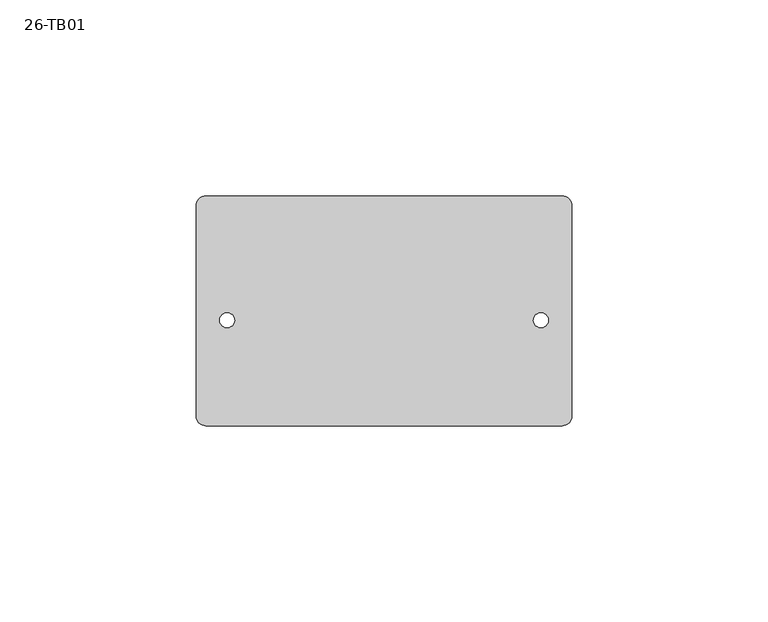
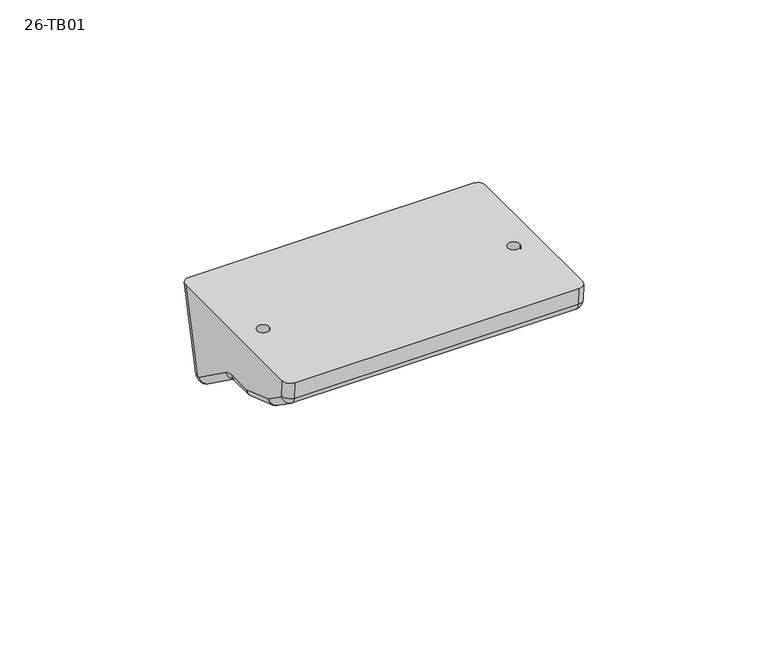
"""IFC4 building model written with IfcOpenShell, lengths in millimetres: proxy geometry, 26-TB01."""

from ifc_helpers import new_model, si_unit, point, frame, origin, place, context, project, spatial, polyline, circle_curve, ellipse_curve, trimmed, source, transform, mapped, element, save
from ifc_brep_helpers import plane_surface, cylinder_surface, revolved_surface, advanced_brep


def proxy_26_tb01_5230ef04(model_context):
    return source(origin(), model_context, "Body", "AdvancedBrep", [
        advanced_brep(
        [(-1.1749418, -22.4476746, 14.097), (-1.1749418, -22.4476746, 31.75), (-4.9849418, -22.4476746, 31.75), (-4.9849418, -22.4476746, 14.097), (78.8350582, -22.4476746, 14.097), (78.8350582, -22.4476746, 31.75), (75.0250582, -22.4476746, 31.75), (75.0250582, -22.4476746, 14.097), (4.2225582, -28.0369595, 14.2752497), (4.2225582, -26.9880969, 14.097), (4.2225582, -18.7790853, 14.097), (4.2225582, -16.9146376, 13.4919144), (4.2225582, -8.6335231, 7.484047), (69.6275582, -26.9880969, 14.097), (69.6275582, -28.0369595, 14.2752497), (69.6275582, -8.6335231, 7.484047), (69.6275582, -16.9146376, 13.4919144), (69.6275582, -18.7790853, 14.097), (82.3275582, -26.9880969, 14.097), (82.3275582, -28.0369595, 14.2752497), (82.3275582, -18.7790853, 14.097), (82.3275582, -16.9146376, 13.4919144), (84.8675582, -46.8249661, 31.75), (82.3275582, -49.3716746, 31.75), (82.3275582, -48.9712229, 26.24379), (84.8675582, -46.4379137, 26.4280306), (82.3275582, -47.6607517, 23.898188), (84.8675582, -46.1758195, 25.9589102), (82.3275582, -40.6008421, 18.8109001), (84.8675582, -39.1159099, 20.8716224), (82.3275582, -39.7935394, 18.3900527), (84.8675582, -38.9544493, 20.7874529), (84.8675582, -27.1978694, 16.6726499), (84.8675582, -26.9880969, 16.637), (84.8675582, -18.7790853, 16.637), (84.8675582, -15.4230795, 15.5478459), (82.3275582, -2.1612656, 2.7884876), (84.8675582, -0.6697075, 4.8444191), (82.3275582, 2.7905117, 4.6174429), (84.8675582, 0.320648, 5.2102102), (82.3275582, 9.3023254, 31.75), (84.8675582, 6.6901975, 31.75), (-11.0174418, 6.6901975, 31.75), (-8.4774418, 9.3023254, 31.75), (-8.4774418, 2.7905117, 4.6174429), (-11.0174418, 0.320648, 5.2102102), (-8.4774418, -2.1612656, 2.7884876), (-11.0174418, -0.6697075, 4.8444191), (-8.4774418, -16.9146376, 13.4919144), (-11.0174418, -15.4230795, 15.5478459), (-8.4774418, -18.7790853, 14.097), (-11.0174418, -18.7790853, 16.637), (-8.4774418, -26.9880969, 14.097), (-11.0174418, -26.9880969, 16.637), (-8.4774418, -28.0369595, 14.2752497), (-11.0174418, -27.1978694, 16.6726499), (-8.4774418, -39.7935394, 18.3900527), (-11.0174418, -38.9544493, 20.7874529), (-8.4774418, -40.6008421, 18.8109001), (-11.0174418, -39.1159099, 20.8716224), (-8.4774418, -47.6607517, 23.898188), (-11.0174418, -46.1758195, 25.9589102), (-8.4774418, -48.9712229, 26.24379), (-11.0174418, -46.4379137, 26.4280306), (-8.4774418, -49.3716746, 31.75), (-11.0174418, -46.8249661, 31.75)],
        [
            (0, 1),
            (1, 2, circle_curve(frame((-3.0799418, -22.4476746, 31.75), z_axis=(0.0, 0.0, 1.0), x_axis=(1.0, 0.0, 0.0)), 1.905)),
            (2, 3),
            (3, 0, circle_curve(frame((-3.0799418, -22.4476746, 14.097), z_axis=(0.0, 0.0, -1.0), x_axis=(1.0, 0.0, 0.0)), 1.905)),
            (4, 5),
            (5, 6, circle_curve(frame((76.9300582, -22.4476746, 31.75), z_axis=(0.0, 0.0, 1.0), x_axis=(1.0, 0.0, 0.0)), 1.905)),
            (6, 7),
            (7, 4, circle_curve(frame((76.9300582, -22.4476746, 14.097), z_axis=(0.0, 0.0, -1.0), x_axis=(1.0, 0.0, 0.0)), 1.905)),
            (8, 9, circle_curve(frame((4.2225582, -26.9880969, 17.272), z_axis=(1.0, 0.0, 0.0), x_axis=(0.0, -0.16754349231465676, -0.9858646855339775)), 3.175)),
            (9, 10),
            (10, 11, circle_curve(frame((4.2225582, -18.7790853, 10.922), z_axis=(-1.0, 0.0, 0.0), x_axis=(0.0, 0.3086892871781324, 0.9511629324050935)), 3.175)),
            (11, 12),
            (12, 8),
            (13, 14, circle_curve(frame((69.6275582, -26.9880969, 17.272), z_axis=(-1.0, 0.0, 0.0), x_axis=(0.0, -0.16754349231465676, -0.9858646855339775)), 3.175)),
            (14, 15),
            (15, 16),
            (16, 17, circle_curve(frame((69.6275582, -18.7790853, 10.922), z_axis=(1.0, 0.0, 0.0), x_axis=(0.0, 0.3086892871781324, 0.9511629324050935)), 3.175)),
            (17, 13),
            (13, 18),
            (18, 19, circle_curve(frame((82.3275582, -26.9880969, 17.272), z_axis=(-1.0, 0.0, 0.0), x_axis=(0.0, -0.16754349231465676, -0.9858646855339775)), 3.175)),
            (19, 14),
            (17, 20),
            (20, 18),
            (7, 4, circle_curve(frame((76.9300582, -22.4476746, 14.097), z_axis=(0.0, 0.0, 1.0), x_axis=(1.0, 0.0, 0.0)), 1.905)),
            (16, 21),
            (21, 20, circle_curve(frame((82.3275582, -18.7790853, 10.922), z_axis=(1.0, 0.0, 0.0), x_axis=(0.0, 0.3086892871781324, 0.9511629324050935)), 3.175)),
            (22, 23, ellipse_curve(frame((82.3275582, -46.8249661, 31.75), z_axis=(0.0, 0.0, -1.0), x_axis=(0.0, 1.0, 0.0)), 2.5467085, 2.54)),
            (23, 24),
            (24, 25, circle_curve(frame((82.3275582, -46.4379137, 26.4280306), z_axis=(0.0, -0.07253569577882332, 0.9973658169587938), x_axis=(0.70710678118655, -0.7052441324952214, -0.051290482363290084)), 2.54)),
            (25, 22),
            (26, 27, circle_curve(frame((82.3275582, -46.1758195, 25.9589102), z_axis=(0.0, -0.8113079813297743, 0.5846189865464572), x_axis=(0.0, -0.5846189865464572, -0.8113079813297743)), 2.54)),
            (27, 25, circle_curve(frame((84.8675582, -45.8045864, 26.4740908), z_axis=(-1.0, 0.0, 0.0), x_axis=(0.0, -0.5846189865464508, -0.8113079813297789)), 0.635)),
            (24, 26, circle_curve(frame((82.3275582, -45.8045864, 26.4740908), z_axis=(1.0, 0.0, 0.0), x_axis=(0.0, -0.5846189865464508, -0.8113079813297789)), 3.175)),
            (28, 29, circle_curve(frame((82.3275582, -39.1159099, 20.8716224), z_axis=(0.0, -0.8113079813297751, 0.584618986546456), x_axis=(0.7071067811865491, -0.4133880497974052, -0.5736813752290512)), 2.54)),
            (29, 27),
            (26, 28),
            (30, 31, circle_curve(frame((82.3275582, -38.9544493, 20.7874529), z_axis=(0.0, -0.9438583563660176, 0.33035042472810605), x_axis=(0.0, -0.33035042472810605, -0.9438583563660176)), 2.54)),
            (31, 29, circle_curve(frame((84.8675582, -38.7446768, 21.386803), z_axis=(-1.0, 0.0, 0.0), x_axis=(0.0, -0.33035042472810566, -0.9438583563660177)), 0.635)),
            (28, 30, circle_curve(frame((82.3275582, -38.7446768, 21.386803), z_axis=(1.0, 0.0, 0.0), x_axis=(0.0, -0.33035042472810566, -0.9438583563660177)), 3.175)),
            (19, 32, circle_curve(frame((82.3275582, -27.1978694, 16.6726499), z_axis=(0.0, -0.9438583563660177, 0.33035042472810583), x_axis=(0.7071067811865496, -0.23359302549309902, -0.6674086442659981)), 2.54)),
            (32, 31),
            (30, 19),
            (18, 33, circle_curve(frame((82.3275582, -26.9880969, 16.637), z_axis=(0.0, -1.0, 0.0), x_axis=(0.0, 0.0, -1.0)), 2.54)),
            (33, 32, circle_curve(frame((84.8675582, -26.9880969, 17.272), z_axis=(-1.0, 0.0, 0.0), x_axis=(0.0, 0.0, -1.0)), 0.635)),
            (20, 34, circle_curve(frame((82.3275582, -18.7790853, 16.637), z_axis=(0.0, -1.0, 0.0), x_axis=(0.7071067811865493, 0.0, -0.7071067811865456)), 2.54)),
            (34, 33),
            (21, 35, circle_curve(frame((82.3275582, -15.4230795, 15.5478459), z_axis=(0.0, -0.8094218479629124, 0.5872276151887817), x_axis=(0.0, 0.5872276151887817, 0.8094218479629124)), 2.54)),
            (35, 34, circle_curve(frame((84.8675582, -18.7790853, 10.922), z_axis=(1.0, 0.0, 0.0), x_axis=(0.0, 0.5872276151887807, 0.8094218479629132)), 5.715)),
            (36, 37, circle_curve(frame((82.3275582, -0.6697075, 4.8444191), z_axis=(0.0, -0.8094218479629134, 0.5872276151887806), x_axis=(0.7071067811865493, -0.4152326287999902, -0.5723476775351211)), 2.54)),
            (37, 35),
            (21, 36),
            (38, 39, circle_curve(frame((82.3275582, 0.320648, 5.2102102), z_axis=(0.0, -0.23337295247532389, -0.9723873019805176), x_axis=(0.0, 0.9723873019805176, -0.23337295247532389)), 2.54)),
            (39, 37, circle_curve(frame((84.8675582, -0.2968179, 5.358402), z_axis=(-1.0, 0.0, 0.0), x_axis=(0.0, 0.9723873019805175, -0.23337295247532416)), 0.635)),
            (36, 38, circle_curve(frame((82.3275582, -0.2968179, 5.358402), z_axis=(1.0, 0.0, 0.0), x_axis=(0.0, 0.9723873019805175, -0.23337295247532416)), 3.175)),
            (40, 41, ellipse_curve(frame((82.3275582, 6.6901975, 31.75), z_axis=(0.0, 0.0, -1.0), x_axis=(0.0, 1.0, 0.0)), 2.6121279, 2.54)),
            (41, 39),
            (38, 40),
            (41, 22),
            (42, 43, ellipse_curve(frame((-8.4774418, 6.6901975, 31.75), z_axis=(0.0, 0.0, -1.0), x_axis=(0.0, -1.0, 0.0)), 2.6121279, 2.54)),
            (43, 44),
            (44, 45, circle_curve(frame((-8.4774418, 0.320648, 5.2102102), z_axis=(0.0, 0.23337295247532427, 0.9723873019805175), x_axis=(-0.7071067811865481, 0.6875816551701143, -0.16501959724082746)), 2.54)),
            (45, 42),
            (46, 47, circle_curve(frame((-8.4774418, -0.6697075, 4.8444191), z_axis=(0.0, 0.8094218479629133, -0.5872276151887806), x_axis=(0.0, -0.5872276151887806, -0.8094218479629133)), 2.54)),
            (47, 45, circle_curve(frame((-11.0174418, -0.2968179, 5.358402), z_axis=(1.0, 0.0, 0.0), x_axis=(0.0, -0.5872276151887809, -0.809421847962913)), 0.635)),
            (44, 46, circle_curve(frame((-8.4774418, -0.2968179, 5.358402), z_axis=(-1.0, 0.0, 0.0), x_axis=(0.0, -0.5872276151887809, -0.809421847962913)), 3.175)),
            (48, 49, circle_curve(frame((-8.4774418, -15.4230795, 15.5478459), z_axis=(0.0, 0.8094218479629132, -0.5872276151887805), x_axis=(-0.7071067811865475, -0.4152326287999913, -0.5723476775351227)), 2.54)),
            (49, 47),
            (46, 48),
            (50, 51, circle_curve(frame((-8.4774418, -18.7790853, 16.637), z_axis=(0.0, 1.0, 0.0), x_axis=(0.0, 0.0, 1.0)), 2.54)),
            (51, 49, circle_curve(frame((-11.0174418, -18.7790853, 10.922), z_axis=(-1.0, 0.0, 0.0), x_axis=(0.0, 0.0, 1.0)), 5.715)),
            (48, 50, circle_curve(frame((-8.4774418, -18.7790853, 10.922), z_axis=(1.0, 0.0, 0.0), x_axis=(0.0, 0.0, 1.0)), 3.175)),
            (52, 53, circle_curve(frame((-8.4774418, -26.9880969, 16.637), z_axis=(0.0, 1.0, 0.0), x_axis=(-0.7071067811865476, 0.0, -0.7071067811865476)), 2.54)),
            (53, 51),
            (50, 52),
            (54, 55, circle_curve(frame((-8.4774418, -27.1978694, 16.6726499), z_axis=(0.0, 0.9438583563660173, -0.3303504247281064), x_axis=(0.0, -0.3303504247281064, -0.9438583563660173)), 2.54)),
            (55, 53, circle_curve(frame((-11.0174418, -26.9880969, 17.272), z_axis=(1.0, 0.0, 0.0), x_axis=(0.0, -0.33035042472810533, -0.9438583563660177)), 0.635)),
            (52, 54, circle_curve(frame((-8.4774418, -26.9880969, 17.272), z_axis=(-1.0, 0.0, 0.0), x_axis=(0.0, -0.33035042472810533, -0.9438583563660177)), 3.175)),
            (56, 57, circle_curve(frame((-8.4774418, -38.9544493, 20.7874529), z_axis=(0.0, 0.9438583563660177, -0.33035042472810566), x_axis=(-0.7071067811865472, -0.23359302549309946, -0.6674086442660001)), 2.54)),
            (57, 55),
            (54, 56),
            (58, 59, circle_curve(frame((-8.4774418, -39.1159099, 20.8716224), z_axis=(0.0, 0.8113079813297758, -0.5846189865464552), x_axis=(0.0, -0.5846189865464552, -0.8113079813297758)), 2.54)),
            (59, 57, circle_curve(frame((-11.0174418, -38.7446768, 21.386803), z_axis=(1.0, 0.0, 0.0), x_axis=(0.0, -0.5846189865464573, -0.8113079813297742)), 0.635)),
            (56, 58, circle_curve(frame((-8.4774418, -38.7446768, 21.386803), z_axis=(-1.0, 0.0, 0.0), x_axis=(0.0, -0.5846189865464573, -0.8113079813297742)), 3.175)),
            (60, 61, circle_curve(frame((-8.4774418, -46.1758195, 25.9589102), z_axis=(0.0, 0.8113079813297748, -0.5846189865464563), x_axis=(-0.7071067811865468, -0.4133880497974071, -0.5736813752290529)), 2.54)),
            (61, 59),
            (58, 60),
            (62, 63, circle_curve(frame((-8.4774418, -46.4379137, 26.4280306), z_axis=(0.0, 0.0725356957788229, -0.9973658169587938), x_axis=(0.0, -0.9973658169587938, -0.0725356957788229)), 2.54)),
            (63, 61, circle_curve(frame((-11.0174418, -45.8045864, 26.4740908), z_axis=(1.0, 0.0, 0.0), x_axis=(0.0, -0.9973658169587939, -0.07253569577882178)), 0.635)),
            (60, 62, circle_curve(frame((-8.4774418, -45.8045864, 26.4740908), z_axis=(-1.0, 0.0, 0.0), x_axis=(0.0, -0.9973658169587939, -0.07253569577882178)), 3.175)),
            (64, 65, ellipse_curve(frame((-8.4774418, -46.8249661, 31.75), z_axis=(0.0, 0.0, -1.0), x_axis=(0.0, -1.0, 0.0)), 2.5467085, 2.54)),
            (65, 63),
            (62, 64),
            (23, 64),
            (62, 24),
            (60, 26),
            (58, 28),
            (56, 30),
            (54, 8),
            (12, 15),
            (52, 9),
            (50, 10),
            (3, 0, circle_curve(frame((-3.0799418, -22.4476746, 14.097), z_axis=(0.0, 0.0, 1.0), x_axis=(1.0, 0.0, 0.0)), 1.905)),
            (48, 11),
            (46, 36),
            (44, 38),
            (40, 43),
            (42, 65),
            (1, 2, circle_curve(frame((-3.0799418, -22.4476746, 31.75), z_axis=(0.0, 0.0, -1.0), x_axis=(1.0, 0.0, 0.0)), 1.905)),
            (5, 6, circle_curve(frame((76.9300582, -22.4476746, 31.75), z_axis=(0.0, 0.0, -1.0), x_axis=(1.0, 0.0, 0.0)), 1.905)),
        ],
        [
            revolved_surface(polyline([(-1.1749417999999998, -22.4476746, 31.75), (-1.1749417999999998, -22.4476746, 14.097)]), (-3.0799418, -22.4476746, 19.05), (0.0, 0.0, 1.0)),
            revolved_surface(polyline([(78.8350582, -22.4476746, 31.75), (78.8350582, -22.4476746, 14.097)]), (76.9300582, -22.4476746, 19.05), (0.0, 0.0, 1.0)),
            plane_surface(frame((4.2225582, -18.0727731, 11.6883906), z_axis=(-1.0, 0.0, 0.0), x_axis=(0.0, 0.0, -1.0))),
            plane_surface(frame((69.6275582, -18.0727731, 11.6883906), z_axis=(1.0, 0.0, 0.0), x_axis=(0.0, 0.0, -1.0))),
            cylinder_surface(frame((-11.0174418, -26.9880969, 17.272), z_axis=(0.9999999999999999, 0.0, 0.0), x_axis=(0.0, -0.16754349231465676, -0.9858646855339775)), 3.175),
            plane_surface(frame((-11.0174418, -17.7486746, 14.097), z_axis=(0.0, 0.0, -1.0), x_axis=(-1.0, 0.0, 0.0))),
            revolved_surface(polyline([(82.3275582, -17.798996813209428, 13.941942310386173), (69.6275582, -17.798996813209428, 13.941942310386173)]), (-11.0174418, -18.7790853, 10.922), (1.0, 0.0, 0.0)),
            cylinder_surface(frame((82.3275582, -45.28154, 10.5278916), z_axis=(0.0, 0.07253569577882332, -0.9973658169587938), x_axis=(0.70710678118655, -0.7052441324952214, -0.051290482363290084)), 2.54),
            revolved_surface(trimmed(ellipse_curve(frame((82.3275582, -46.1758195, 25.9589102), z_axis=(0.0, 0.8113079813297774, -0.5846189865464528), x_axis=(0.0, -0.5846189865464528, -0.8113079813297774)), 2.54, 2.54), [point((84.8675582, -46.1758195, 25.9589102))], [point((82.3275582, -47.6607517, 23.898188))], True, "CARTESIAN"), (82.3275582, -45.8045864, 26.4740908), (-1.0, 0.0, 0.0)),
            cylinder_surface(frame((82.3275582, -18.0446168, 5.6878965), z_axis=(0.0, 0.8113079813297748, -0.5846189865464558), x_axis=(0.7071067811865491, -0.4133880497974052, -0.5736813752290512)), 2.54),
            revolved_surface(trimmed(ellipse_curve(frame((82.3275582, -38.9544493, 20.7874529), z_axis=(0.0, 0.9438583563660178, -0.3303504247281052), x_axis=(0.0, -0.3303504247281052, -0.9438583563660178)), 2.54, 2.54), [point((84.8675582, -38.9544493, 20.7874529))], [point((82.3275582, -39.7935394, 18.3900527))], True, "CARTESIAN"), (82.3275582, -38.7446768, 21.386803), (-1.0, 0.0, 0.0)),
            cylinder_surface(frame((82.3275582, -8.0854887, 9.9833167), z_axis=(0.0, 0.9438583563660177, -0.33035042472810583), x_axis=(0.7071067811865496, -0.23359302549309902, -0.6674086442659981)), 2.54),
            revolved_surface(trimmed(ellipse_curve(frame((82.3275582, -26.9880969, 16.637), z_axis=(0.0, 1.0, 0.0), x_axis=(0.0, 0.0, -1.0)), 2.54, 2.54), [point((84.8675582, -26.9880969, 16.637))], [point((82.3275582, -26.9880969, 14.097))], True, "CARTESIAN"), (82.3275582, -26.9880969, 17.272), (-1.0, 0.0, 0.0)),
            cylinder_surface(frame((82.3275582, -4.2231746, 16.637), z_axis=(0.0, 0.9999999999999998, 0.0), x_axis=(0.7071067811865493, 0.0, -0.7071067811865456)), 2.54),
            revolved_surface(trimmed(ellipse_curve(frame((82.3275582, -15.4230795, 15.5478459), z_axis=(0.0, 0.8094218479629129, -0.5872276151887811), x_axis=(0.0, 0.5872276151887811, 0.8094218479629129)), 2.54, 2.54), [point((84.8675582, -15.4230795, 15.5478459))], [point((82.3275582, -16.9146376, 13.4919144))], True, "CARTESIAN"), (82.3275582, -18.7790853, 10.922), (1.0, 0.0, 0.0)),
            cylinder_surface(frame((82.3275582, 5.6700574, 0.2449819), z_axis=(0.0, 0.8094218479629132, -0.5872276151887805), x_axis=(0.7071067811865493, -0.4152326287999902, -0.5723476775351211)), 2.54),
            revolved_surface(trimmed(ellipse_curve(frame((82.3275582, 0.320648, 5.2102102), z_axis=(0.0, 0.2333729524753241, 0.9723873019805175), x_axis=(0.0, 0.9723873019805175, -0.2333729524753241)), 2.54, 2.54), [point((84.8675582, 0.320648, 5.2102102))], [point((82.3275582, 2.7905117, 4.6174429))], True, "CARTESIAN"), (82.3275582, -0.2968179, 5.358402), (-1.0, 0.0, 0.0)),
            cylinder_surface(frame((82.3275582, 3.2299655, 17.3323664), z_axis=(0.0, 0.23337295247532397, 0.9723873019805171), x_axis=(0.7071067811865493, 0.6875816551701132, -0.16501959724082685)), 2.54),
            plane_surface(frame((84.8675582, 9.3023254, 0.0), z_axis=(1.0, 0.0, 0.0), x_axis=(0.0, 0.0, -1.0))),
            cylinder_surface(frame((-8.4774418, 1.6321864, 10.6749534), z_axis=(0.0, -0.23337295247532422, -0.9723873019805173), x_axis=(-0.7071067811865481, 0.6875816551701143, -0.16501959724082746)), 2.54),
            revolved_surface(trimmed(ellipse_curve(frame((-8.4774418, -0.6697075, 4.8444191), z_axis=(0.0, -0.809421847962913, 0.5872276151887809), x_axis=(0.0, -0.5872276151887809, -0.809421847962913)), 2.54, 2.54), [point((-11.0174418, -0.6697075, 4.8444191))], [point((-8.4774418, -2.1612656, 2.7884876))], True, "CARTESIAN"), (-8.4774418, -0.2968179, 5.358402), (1.0, 0.0, 0.0)),
            cylinder_surface(frame((-8.4774418, -13.5504809, 14.189294), z_axis=(0.0, -0.8094218479629134, 0.5872276151887806), x_axis=(-0.7071067811865475, -0.4152326287999913, -0.5723476775351227)), 2.54),
            revolved_surface(trimmed(ellipse_curve(frame((-8.4774418, -18.7790853, 16.637), z_axis=(0.0, -1.0, 0.0), x_axis=(0.0, 0.0, 1.0)), 2.54, 2.54), [point((-11.0174418, -18.7790853, 16.637))], [point((-8.4774418, -18.7790853, 14.097))], True, "CARTESIAN"), (-8.4774418, -18.7790853, 10.922), (-1.0, 0.0, 0.0)),
            cylinder_surface(frame((-8.4774418, -33.5601746, 16.637), z_axis=(0.0, -1.0000000000000002, 0.0), x_axis=(-0.7071067811865476, 0.0, -0.7071067811865476)), 2.54),
            revolved_surface(trimmed(ellipse_curve(frame((-8.4774418, -27.1978694, 16.6726499), z_axis=(0.0, -0.9438583563660174, 0.330350424728106), x_axis=(0.0, -0.330350424728106, -0.9438583563660174)), 2.54, 2.54), [point((-11.0174418, -27.1978694, 16.6726499))], [point((-8.4774418, -28.0369595, 14.2752497))], True, "CARTESIAN"), (-8.4774418, -26.9880969, 17.272), (1.0, 0.0, 0.0)),
            cylinder_surface(frame((-8.4774418, -34.2209007, 19.1307109), z_axis=(0.0, -0.9438583563660174, 0.3303504247281056), x_axis=(-0.7071067811865472, -0.23359302549309946, -0.6674086442660001)), 2.54),
            revolved_surface(trimmed(ellipse_curve(frame((-8.4774418, -39.1159099, 20.8716224), z_axis=(0.0, -0.8113079813297747, 0.5846189865464567), x_axis=(0.0, -0.5846189865464567, -0.8113079813297747)), 2.54, 2.54), [point((-11.0174418, -39.1159099, 20.8716224))], [point((-8.4774418, -40.6008421, 18.8109001))], True, "CARTESIAN"), (-8.4774418, -38.7446768, 21.386803), (1.0, 0.0, 0.0)),
            cylinder_surface(frame((-8.4774418, -37.3548357, 19.6026131), z_axis=(0.0, -0.811307981329775, 0.5846189865464564), x_axis=(-0.7071067811865468, -0.4133880497974071, -0.5736813752290529)), 2.54),
            revolved_surface(trimmed(ellipse_curve(frame((-8.4774418, -46.4379137, 26.4280306), z_axis=(0.0, -0.07253569577882246, 0.9973658169587939), x_axis=(0.0, -0.9973658169587939, -0.07253569577882246)), 2.54, 2.54), [point((-11.0174418, -46.4379137, 26.4280306))], [point((-8.4774418, -48.9712229, 26.24379))], True, "CARTESIAN"), (-8.4774418, -45.8045864, 26.4740908), (1.0, 0.0, 0.0)),
            cylinder_surface(frame((-8.4774418, -45.4358945, 12.6502658), z_axis=(0.0, -0.0725356957788239, 0.9973658169587932), x_axis=(-0.7071067811865456, -0.7052441324952256, -0.05129048236329128)), 2.54),
            plane_surface(frame((-11.0174418, -48.8636746, 24.765), z_axis=(0.0, -0.9973658169587938, -0.0725356957788235), x_axis=(0.0, 0.0725356957788235, -0.9973658169587938))),
            cylinder_surface(frame((-11.0174418, -45.8045864, 26.4740908), z_axis=(1.0000000000000002, 0.0, 0.0), x_axis=(0.0, -0.8729920401154472, -0.4877344542833422)), 3.175),
            plane_surface(frame((-11.0174418, -40.2276746, 18.542), z_axis=(0.0, -0.5846189865464557, -0.8113079813297754), x_axis=(-1.0, 0.0, 0.0))),
            cylinder_surface(frame((-11.0174418, -38.7446768, 21.386803), z_axis=(0.9999999999999998, 0.0, 0.0), x_axis=(0.0, -0.462260377247057, -0.886744238000681)), 3.175),
            plane_surface(frame((-11.0174418, -27.5276746, 14.097), z_axis=(0.0, -0.33035042472810594, -0.9438583563660176), x_axis=(-1.0, 0.0, 0.0))),
            revolved_surface(polyline([(4.2225582, -17.798996813209428, 13.941942310386173), (-8.4774418, -17.798996813209428, 13.941942310386173)]), (-11.0174418, -18.7790853, 10.922), (1.0, 0.0, 0.0)),
            plane_surface(frame((-11.0174418, 1.6823254, 0.0), z_axis=(0.0, -0.5872276151887805, -0.8094218479629134), x_axis=(-1.0, 0.0, 0.0))),
            cylinder_surface(frame((-11.0174418, -0.2968179, 5.358402), z_axis=(0.9999999999999998, 0.0, 0.0), x_axis=(0.0, 0.3464752207308562, -0.9380591246928438)), 3.175),
            plane_surface(frame((36.9250582, -20.0346746, 31.75), z_axis=(0.0, 0.0, 1.0), x_axis=(1.0, 0.0, 0.0))),
            plane_surface(frame((-11.0174418, 9.3023254, 31.75), z_axis=(0.0, 0.9723873019805175, -0.23337295247532436), x_axis=(0.0, 0.23337295247532436, 0.9723873019805175))),
            plane_surface(frame((-11.0174418, -49.3716746, 0.0), z_axis=(-1.0, 0.0, 0.0), x_axis=(0.0, 0.0, 1.0))),
        ],
        [
            (0, [[1, 2, 3, 4]]),
            (1, [[5, 6, 7, 8]]),
            (2, [[9, 10, 11, 12, 13]]),
            (3, [[14, 15, 16, 17, 18]]),
            (4, [[-14, 19, 20, 21]]),
            (5, [[-18, 22, 23, -19], [-8, 24]]),
            (6, [[-17, 25, 26, -22]]),
            (7, [[27, 28, 29, 30]]),
            (8, [[31, 32, -29, 33]]),
            (9, [[34, 35, -31, 36]]),
            (10, [[37, 38, -34, 39]]),
            (11, [[40, 41, -37, 42]]),
            (12, [[43, 44, -40, -20]]),
            (13, [[45, 46, -43, -23]]),
            (14, [[47, 48, -45, -26]]),
            (15, [[49, 50, -47, 51]]),
            (16, [[52, 53, -49, 54]]),
            (17, [[55, 56, -52, 57]]),
            (18, [[-30, -32, -35, -38, -41, -44, -46, -48, -50, -53, -56, 58]]),
            (19, [[59, 60, 61, 62]]),
            (20, [[63, 64, -61, 65]]),
            (21, [[66, 67, -63, 68]]),
            (22, [[69, 70, -66, 71]]),
            (23, [[72, 73, -69, 74]]),
            (24, [[75, 76, -72, 77]]),
            (25, [[78, 79, -75, 80]]),
            (26, [[81, 82, -78, 83]]),
            (27, [[84, 85, -81, 86]]),
            (28, [[87, 88, -84, 89]]),
            (29, [[90, 91, -87, 92]]),
            (30, [[-28, 93, -92, 94]]),
            (31, [[-33, -94, -89, 95]]),
            (32, [[-36, -95, -86, 96]]),
            (33, [[-39, -96, -83, 97]]),
            (34, [[-42, -97, -80, 98, -13, 99, -15, -21]]),
            (4, [[-9, -98, -77, 100]]),
            (5, [[-10, -100, -74, 101], [-4, 102]]),
            (35, [[-11, -101, -71, 103]]),
            (36, [[-12, -103, -68, 104, -51, -25, -16, -99]]),
            (37, [[-54, -104, -65, 105]]),
            (38, [[-27, -58, -55, 106, -59, 107, -90, -93], [108, -2], [109, -6]]),
            (39, [[-57, -105, -60, -106]]),
            (40, [[-91, -107, -62, -64, -67, -70, -73, -76, -79, -82, -85, -88]]),
            (1, [[-5, -24, -7, -109]]),
            (0, [[-1, -102, -3, -108]]),
        ],
    ),
    ])


if __name__ == "__main__":
    model = new_model("IFC4")
    model_context = context("Model", 3, world=origin())
    ifc_project = project(units=[si_unit("LENGTHUNIT", "METRE", prefix="MILLI")], contexts=[model_context])
    site = spatial("IfcSite", under=ifc_project)
    building = spatial("IfcBuilding", under=site)
    placement = place(None, origin())
    proxy_26_tb01_shape = proxy_26_tb01_5230ef04(model_context)
    element("IfcBuildingElementProxy", 1, Name="26-TB01", ObjectType="26-TB01", at=placement, inside=building, context=model_context, shape_type="MappedRepresentation", body=[
        mapped(proxy_26_tb01_shape, transform((0.0, 0.0, 0.0), x_axis=(1.0, 0.0, 0.0), y_axis=(0.0, 1.0, 0.0), z_axis=(0.0, 0.0, 1.0))),
    ])
    save(model, "model.ifc")
